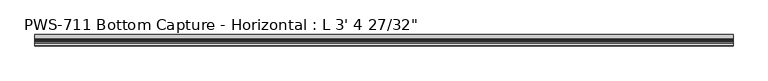
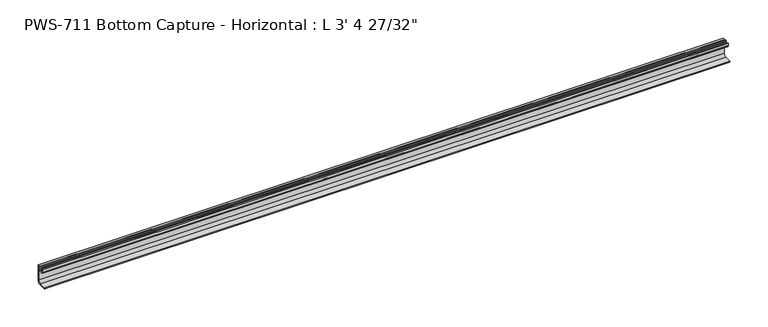
"""IFC4 building model written with IfcOpenShell, lengths in millimetres: proxy geometry."""

from ifc_helpers import new_model, si_unit, point, frame, frame_2d, origin, place, context, project, spatial, polyline, circle_curve, trimmed, segment, composite_curve, outline, extrude, source, transform, mapped, element, save


def proxy_55e53f5a(model_context):
    return source(origin(), model_context, "Body", "SweptSolid", [
        extrude(outline(composite_curve([segment(trimmed(circle_curve(frame_2d((7.4969327, 25.3660159)), 3.2037832), [point((8.128, 22.225))], [point((10.541, 24.367076))], True, "CARTESIAN"), True, "CONTINUOUS"), segment(polyline([(10.541, 24.367076), (10.541, 26.8752912), (9.652, 26.8752912), (9.652, 27.6666341)]), True, "CONTINUOUS"), segment(trimmed(circle_curve(frame_2d((10.7705936, 27.4320794)), 1.1429206), [point((9.652, 27.6666341))], [point((10.7705936, 28.575))], False, "CARTESIAN"), True, "CONTINUOUS"), segment(polyline([(10.7705936, 28.575), (16.8275, 28.575), (16.8275, 2.032), (15.24, 2.032), (15.24, 0.0), (0.79375, 0.0)]), True, "CONTINUOUS"), segment(trimmed(circle_curve(frame_2d((0.79375, 0.79375)), 0.79375), [point((0.79375, 0.0))], [point((0.79375, 1.5875))], False, "CARTESIAN"), True, "CONTINUOUS"), segment(polyline([(0.79375, 1.5875), (10.9894826, 1.5875)]), True, "CONTINUOUS"), segment(trimmed(circle_curve(frame_2d((10.0322652, 6.7952348)), 5.2949756), [point((10.9894826, 1.5875))], [point((15.1327452, 5.3733097))], True, "CARTESIAN"), True, "CONTINUOUS"), segment(polyline([(15.1327452, 5.3733097), (15.1327452, 26.19248)]), True, "CONTINUOUS"), segment(trimmed(circle_curve(frame_2d((14.3377252, 26.19248)), 0.79502), [point((15.1327452, 26.19248))], [point((14.3377252, 26.9875))], True, "CARTESIAN"), True, "CONTINUOUS"), segment(polyline([(14.3377252, 26.9875), (12.92352, 26.9875)]), True, "CONTINUOUS"), segment(trimmed(circle_curve(frame_2d((12.92352, 26.19248)), 0.79502), [point((12.92352, 26.9875))], [point((12.1285, 26.19248))], True, "CARTESIAN"), True, "CONTINUOUS"), segment(polyline([(12.1285, 26.19248), (12.1285, 24.1392401)]), True, "CONTINUOUS"), segment(trimmed(circle_curve(frame_2d((7.4969327, 25.3660159)), 4.7912832), [point((12.1285, 24.1392401))], [point((8.128, 20.6164739))], False, "CARTESIAN"), True, "CONTINUOUS"), segment(trimmed(circle_curve(frame_2d((8.7590673, 25.3660159)), 4.7912832), [point((8.128, 20.6164739))], [point((4.1275, 24.1392401))], False, "CARTESIAN"), True, "CONTINUOUS"), segment(polyline([(4.1275, 24.1392401), (4.1275, 27.813), (6.4647806, 27.813)]), True, "CONTINUOUS"), segment(trimmed(circle_curve(frame_2d((5.5030121, 27.2398966)), 1.1195742), [point((6.4647806, 27.813))], [point((6.5615531, 26.8752912))], False, "CARTESIAN"), True, "CONTINUOUS"), segment(polyline([(6.5615531, 26.8752912), (5.715, 26.8752912), (5.715, 24.367076)]), True, "CONTINUOUS"), segment(trimmed(circle_curve(frame_2d((8.7590673, 25.3660159)), 3.2037832), [point((5.715, 24.367076))], [point((8.128, 22.225))], True, "CARTESIAN"), True, "CONTINUOUS")], self_intersect=False)), frame((0.0, 0.0, 0.0), z_axis=(1.0, 0.0, 0.0), x_axis=(0.0, 1.0, 0.0)), (0.0, 0.0, 1.0), 1037.43125),
    ])


if __name__ == "__main__":
    model = new_model("IFC4")
    model_context = context("Model", 3, world=origin())
    ifc_project = project(units=[si_unit("LENGTHUNIT", "METRE", prefix="MILLI")], contexts=[model_context])
    site = spatial("IfcSite", under=ifc_project)
    building = spatial("IfcBuilding", under=site)
    placement = place(None, origin())
    proxy_shape = proxy_55e53f5a(model_context)
    element("IfcBuildingElementProxy", 1, Name="PWS-711 Bottom Capture - Horizontal : L 3' 4 27/32\"", ObjectType="PWS-711 Bottom Capture - Horizontal : L 3' 4 27/32\"", at=placement, inside=building, context=model_context, shape_type="MappedRepresentation", body=[
        mapped(proxy_shape, transform((0.0, 0.0, 0.0), x_axis=(1.0, 0.0, 0.0), y_axis=(0.0, 1.0, 0.0), z_axis=(0.0, 0.0, 1.0))),
    ])
    save(model, "model.ifc")
